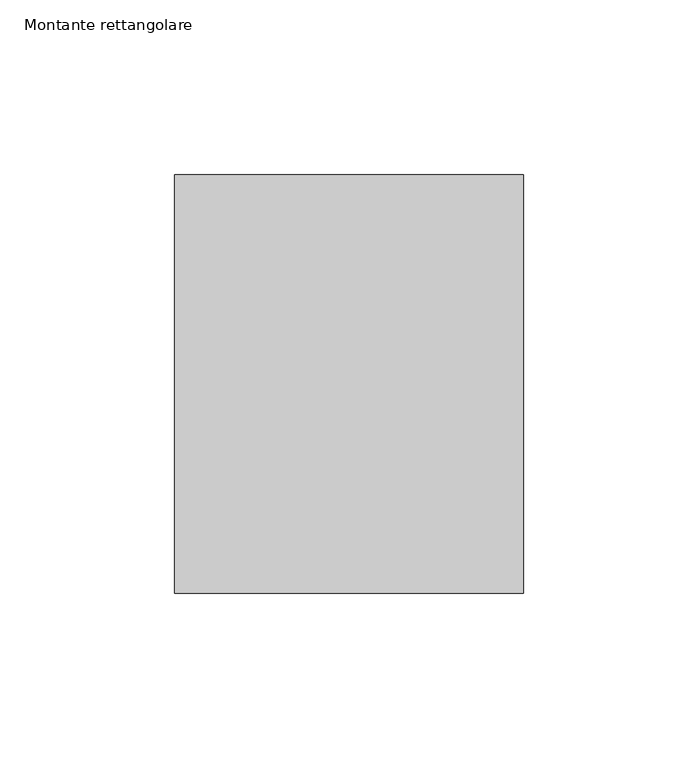
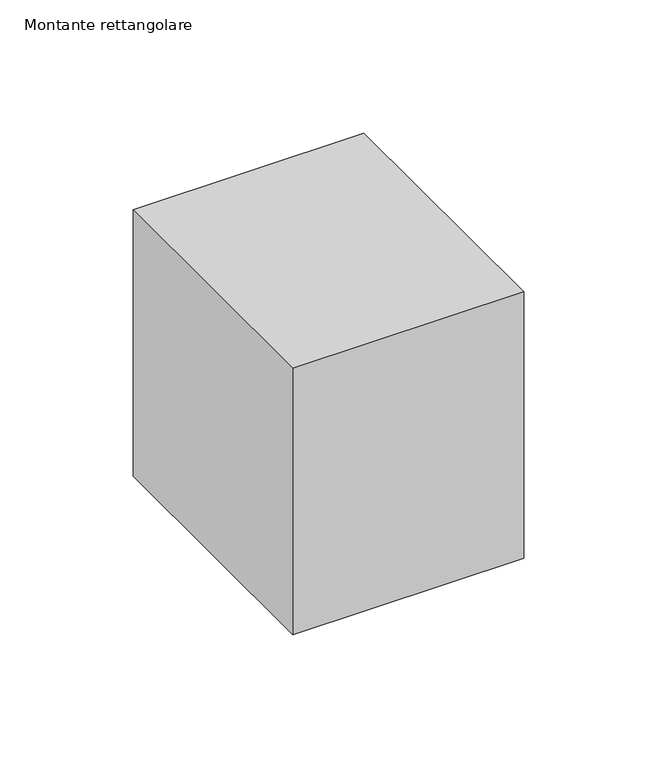
"""IFC4 building model written with IfcOpenShell, lengths in millimetres: member geometry, Montante rettangolare."""

from ifc_helpers import new_model, si_unit, frame, origin, place, context, project, spatial, polyline, outline, extrude, source, transform, mapped, element, save


def montante_rettangolare_847a1536(model_context):
    return source(origin(), model_context, "Body", "SweptSolid", [
        extrude(outline(polyline([(0.0, 60.0), (0.0, -60.0), (-100.0, -60.0), (-100.0, 60.0), (0.0, 60.0)])), frame((0.0, 0.0, -122.2460034), z_axis=(0.0, 0.0, 1.0), x_axis=(1.0, 0.0, 0.0)), (0.0, 0.0, 1.0), 122.2460034),
    ])


if __name__ == "__main__":
    model = new_model("IFC4")
    model_context = context("Model", 3, world=origin())
    ifc_project = project(units=[si_unit("LENGTHUNIT", "METRE", prefix="MILLI")], contexts=[model_context])
    site = spatial("IfcSite", under=ifc_project)
    building = spatial("IfcBuilding", under=site)
    placement = place(None, origin())
    montante_rettangolare_shape = montante_rettangolare_847a1536(model_context)
    element("IfcMember", 1, ObjectType="Montante rettangolare", at=placement, inside=building, context=model_context, shape_type="MappedRepresentation", body=[
        mapped(montante_rettangolare_shape, transform((0.0, 0.0, 0.0), x_axis=(1.0, 0.0, 0.0), y_axis=(0.0, 1.0, 0.0), z_axis=(0.0, 0.0, 1.0))),
    ])
    save(model, "model.ifc")
